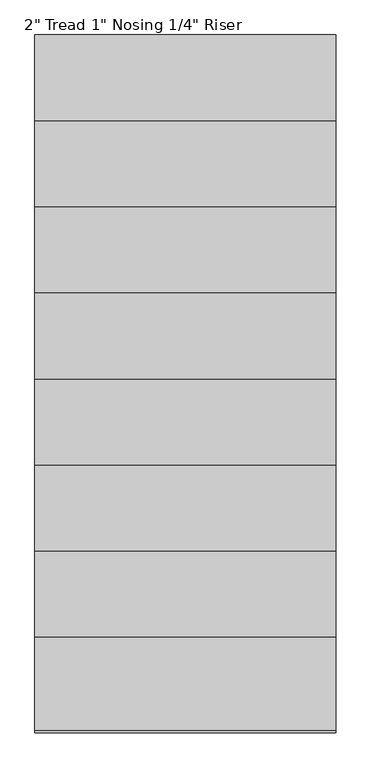
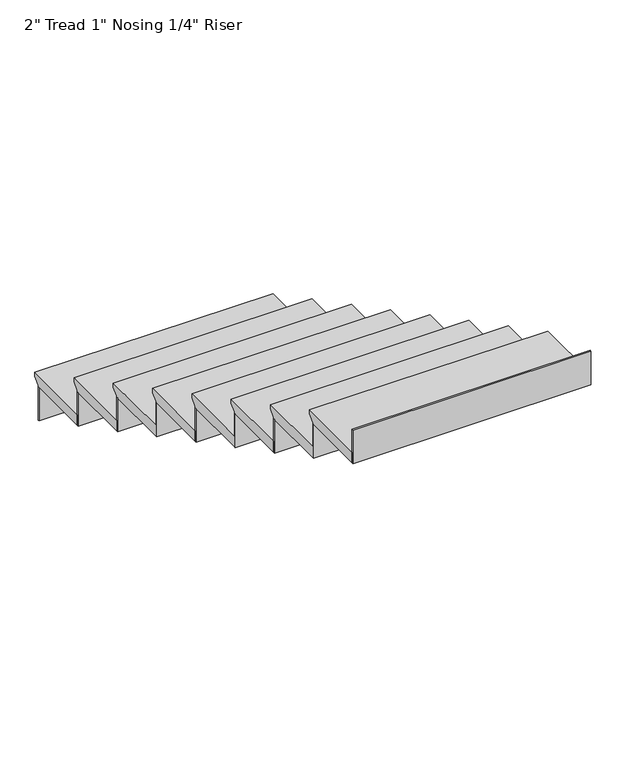
"""IFC4 building model written with IfcOpenShell, lengths in millimetres: stair flight geometry."""

from ifc_helpers import new_model, si_unit, frame, origin, place, context, project, spatial, polyline, outline, extrude, source, transform, mapped, element, save


def stair_flight_a5794d2b(model_context):
    return source(origin(), model_context, "Body", "SweptSolid", [
        extrude(outline(polyline([(-5188.3028521, 1594.5555556), (-4858.1028521, 1594.5555556), (-4858.1028521, 1575.5055556), (-4883.5028521, 1550.1055556), (-4883.5028521, 1543.7555556), (-5188.3028521, 1543.7555556), (-5188.3028521, 1594.5555556)])), frame((31596.9015552, 0.0, 0.0), z_axis=(1.0, 0.0, 0.0), x_axis=(0.0, 1.0, 0.0)), (0.0, 0.0, 1.0), 1066.8),
        extrude(outline(polyline([(31596.9015552, -4889.8528521), (31596.9015552, -4883.5028521), (32663.7015552, -4883.5028521), (32663.7015552, -4889.8528521), (31596.9015552, -4889.8528521)])), frame((0.0, 0.0, 1384.3), z_axis=(0.0, 0.0, 1.0), x_axis=(1.0, 0.0, 0.0)), (0.0, 0.0, 1.0), 159.4555556),
        extrude(outline(polyline([(31596.9015552, -5194.6528521), (31596.9015552, -5188.3028521), (32663.7015552, -5188.3028521), (32663.7015552, -5194.6528521), (31596.9015552, -5194.6528521)])), frame((0.0, 0.0, 1543.7555556), z_axis=(0.0, 0.0, 1.0), x_axis=(1.0, 0.0, 0.0)), (0.0, 0.0, 1.0), 159.4555556),
        extrude(outline(polyline([(-5493.1028521, 1754.0111111), (-5162.9028521, 1754.0111111), (-5162.9028521, 1734.9611111), (-5188.3028521, 1709.5611111), (-5188.3028521, 1703.2111111), (-5493.1028521, 1703.2111111), (-5493.1028521, 1754.0111111)])), frame((31596.9015552, 0.0, 0.0), z_axis=(1.0, 0.0, 0.0), x_axis=(0.0, 1.0, 0.0)), (0.0, 0.0, 1.0), 1066.8),
        extrude(outline(polyline([(31596.9015552, -5499.4528521), (31596.9015552, -5493.1028521), (32663.7015552, -5493.1028521), (32663.7015552, -5499.4528521), (31596.9015552, -5499.4528521)])), frame((0.0, 0.0, 1703.2111111), z_axis=(0.0, 0.0, 1.0), x_axis=(1.0, 0.0, 0.0)), (0.0, 0.0, 1.0), 159.4555556),
        extrude(outline(polyline([(-5797.9028521, 1913.4666667), (-5467.7028521, 1913.4666667), (-5467.7028521, 1894.4166667), (-5493.1028521, 1869.0166667), (-5493.1028521, 1862.6666667), (-5797.9028521, 1862.6666667), (-5797.9028521, 1913.4666667)])), frame((31596.9015552, 0.0, 0.0), z_axis=(1.0, 0.0, 0.0), x_axis=(0.0, 1.0, 0.0)), (0.0, 0.0, 1.0), 1066.8),
        extrude(outline(polyline([(31596.9015552, -5804.2528521), (31596.9015552, -5797.9028521), (32663.7015552, -5797.9028521), (32663.7015552, -5804.2528521), (31596.9015552, -5804.2528521)])), frame((0.0, 0.0, 1862.6666667), z_axis=(0.0, 0.0, 1.0), x_axis=(1.0, 0.0, 0.0)), (0.0, 0.0, 1.0), 159.4555556),
        extrude(outline(polyline([(-6102.7028521, 2072.9222222), (-5772.5028521, 2072.9222222), (-5772.5028521, 2053.8722222), (-5797.9028521, 2028.4722222), (-5797.9028521, 2022.1222222), (-6102.7028521, 2022.1222222), (-6102.7028521, 2072.9222222)])), frame((31596.9015552, 0.0, 0.0), z_axis=(1.0, 0.0, 0.0), x_axis=(0.0, 1.0, 0.0)), (0.0, 0.0, 1.0), 1066.8),
        extrude(outline(polyline([(31596.9015552, -6109.0528521), (31596.9015552, -6102.7028521), (32663.7015552, -6102.7028521), (32663.7015552, -6109.0528521), (31596.9015552, -6109.0528521)])), frame((0.0, 0.0, 2022.1222222), z_axis=(0.0, 0.0, 1.0), x_axis=(1.0, 0.0, 0.0)), (0.0, 0.0, 1.0), 159.4555556),
        extrude(outline(polyline([(-6407.5028521, 2232.3777778), (-6077.3028521, 2232.3777778), (-6077.3028521, 2213.3277778), (-6102.7028521, 2187.9277778), (-6102.7028521, 2181.5777778), (-6407.5028521, 2181.5777778), (-6407.5028521, 2232.3777778)])), frame((31596.9015552, 0.0, 0.0), z_axis=(1.0, 0.0, 0.0), x_axis=(0.0, 1.0, 0.0)), (0.0, 0.0, 1.0), 1066.8),
        extrude(outline(polyline([(31596.9015552, -6413.8528521), (31596.9015552, -6407.5028521), (32663.7015552, -6407.5028521), (32663.7015552, -6413.8528521), (31596.9015552, -6413.8528521)])), frame((0.0, 0.0, 2181.5777778), z_axis=(0.0, 0.0, 1.0), x_axis=(1.0, 0.0, 0.0)), (0.0, 0.0, 1.0), 159.4555556),
        extrude(outline(polyline([(-6712.3028521, 2391.8333333), (-6382.1028521, 2391.8333333), (-6382.1028521, 2372.7833333), (-6407.5028521, 2347.3833333), (-6407.5028521, 2341.0333333), (-6712.3028521, 2341.0333333), (-6712.3028521, 2391.8333333)])), frame((31596.9015552, 0.0, 0.0), z_axis=(1.0, 0.0, 0.0), x_axis=(0.0, 1.0, 0.0)), (0.0, 0.0, 1.0), 1066.8),
        extrude(outline(polyline([(31596.9015552, -6718.6528521), (31596.9015552, -6712.3028521), (32663.7015552, -6712.3028521), (32663.7015552, -6718.6528521), (31596.9015552, -6718.6528521)])), frame((0.0, 0.0, 2341.0333333), z_axis=(0.0, 0.0, 1.0), x_axis=(1.0, 0.0, 0.0)), (0.0, 0.0, 1.0), 159.4555556),
        extrude(outline(polyline([(-7017.1028521, 2551.2888889), (-6686.9028521, 2551.2888889), (-6686.9028521, 2532.2388889), (-6712.3028521, 2506.8388889), (-6712.3028521, 2500.4888889), (-7017.1028521, 2500.4888889), (-7017.1028521, 2551.2888889)])), frame((31596.9015552, 0.0, 0.0), z_axis=(1.0, 0.0, 0.0), x_axis=(0.0, 1.0, 0.0)), (0.0, 0.0, 1.0), 1066.8),
        extrude(outline(polyline([(31596.9015552, -7023.4528521), (31596.9015552, -7017.1028521), (32663.7015552, -7017.1028521), (32663.7015552, -7023.4528521), (31596.9015552, -7023.4528521)])), frame((0.0, 0.0, 2500.4888889), z_axis=(0.0, 0.0, 1.0), x_axis=(1.0, 0.0, 0.0)), (0.0, 0.0, 1.0), 159.4555556),
        extrude(outline(polyline([(31596.9015552, -7328.2528521), (31596.9015552, -7321.9028521), (32663.7015552, -7321.9028521), (32663.7015552, -7328.2528521), (31596.9015552, -7328.2528521)])), frame((0.0, 0.0, 2659.9444444), z_axis=(0.0, 0.0, 1.0), x_axis=(1.0, 0.0, 0.0)), (0.0, 0.0, 1.0), 159.4555556),
        extrude(outline(polyline([(-7321.9028521, 2710.7444444), (-6991.7028521, 2710.7444444), (-6991.7028521, 2691.6944444), (-7017.1028521, 2666.2944444), (-7017.1028521, 2659.9444444), (-7321.9028521, 2659.9444444), (-7321.9028521, 2710.7444444)])), frame((31596.9015552, 0.0, 0.0), z_axis=(1.0, 0.0, 0.0), x_axis=(0.0, 1.0, 0.0)), (0.0, 0.0, 1.0), 1066.8),
    ])


if __name__ == "__main__":
    model = new_model("IFC4")
    model_context = context("Model", 3, world=origin())
    ifc_project = project(units=[si_unit("LENGTHUNIT", "METRE", prefix="MILLI")], contexts=[model_context])
    site = spatial("IfcSite", under=ifc_project)
    building = spatial("IfcBuilding", under=site)
    placement = place(None, origin())
    stair_flight_shape = stair_flight_a5794d2b(model_context)
    element("IfcStairFlight", 1, ObjectType="2\" Tread 1\" Nosing 1/4\" Riser", at=placement, inside=building, context=model_context, shape_type="MappedRepresentation", body=[
        mapped(stair_flight_shape, transform((0.0, 0.0, 0.0), x_axis=(1.0, 0.0, 0.0), y_axis=(0.0, 1.0, 0.0), z_axis=(0.0, 0.0, 1.0))),
    ])
    save(model, "model.ifc")
